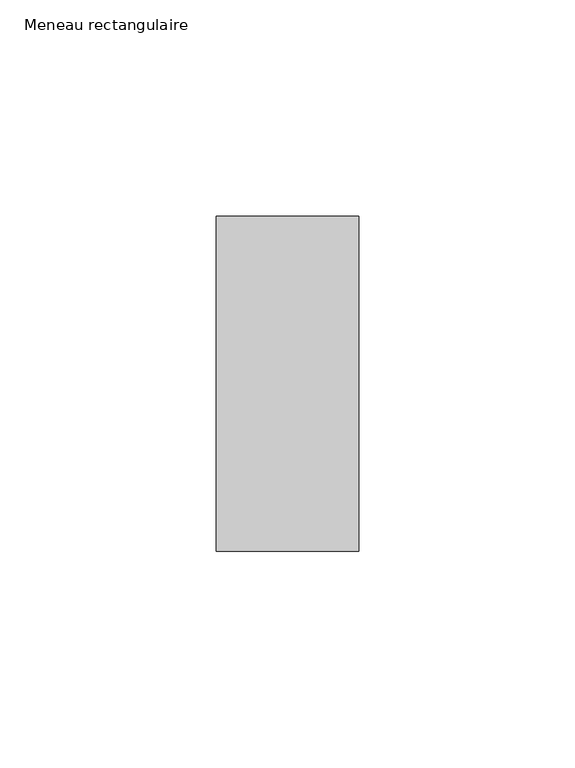
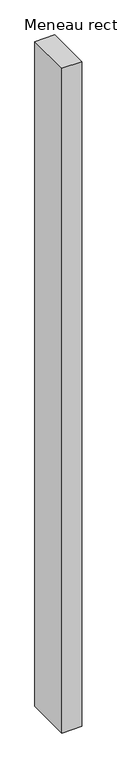
"""IFC4 building model written with IfcOpenShell, lengths in millimetres: member geometry, Meneau rectangulaire."""

from ifc_helpers import new_model, si_unit, frame, origin, place, context, project, spatial, polyline, outline, extrude, source, transform, mapped, element, save


def meneau_rectangulaire_167d7721(model_context):
    return source(origin(), model_context, "Body", "SweptSolid", [
        extrude(outline(polyline([(0.0, 38.75), (0.0, -38.75), (-33.0, -38.75), (-33.0, 38.75), (0.0, 38.75)])), frame((0.0, 0.0, -1162.7857142), z_axis=(0.0, 0.0, 1.0), x_axis=(1.0, 0.0, 0.0)), (0.0, 0.0, 1.0), 1162.7857142),
    ])


if __name__ == "__main__":
    model = new_model("IFC4")
    model_context = context("Model", 3, world=origin())
    ifc_project = project(units=[si_unit("LENGTHUNIT", "METRE", prefix="MILLI")], contexts=[model_context])
    site = spatial("IfcSite", under=ifc_project)
    building = spatial("IfcBuilding", under=site)
    placement = place(None, origin())
    meneau_rectangulaire_shape = meneau_rectangulaire_167d7721(model_context)
    element("IfcMember", 1, ObjectType="Meneau rectangulaire", at=placement, inside=building, context=model_context, shape_type="MappedRepresentation", body=[
        mapped(meneau_rectangulaire_shape, transform((0.0, 0.0, 0.0), x_axis=(1.0, 0.0, 0.0), y_axis=(0.0, 1.0, 0.0), z_axis=(0.0, 0.0, 1.0))),
    ])
    save(model, "model.ifc")
